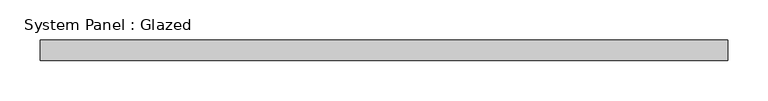
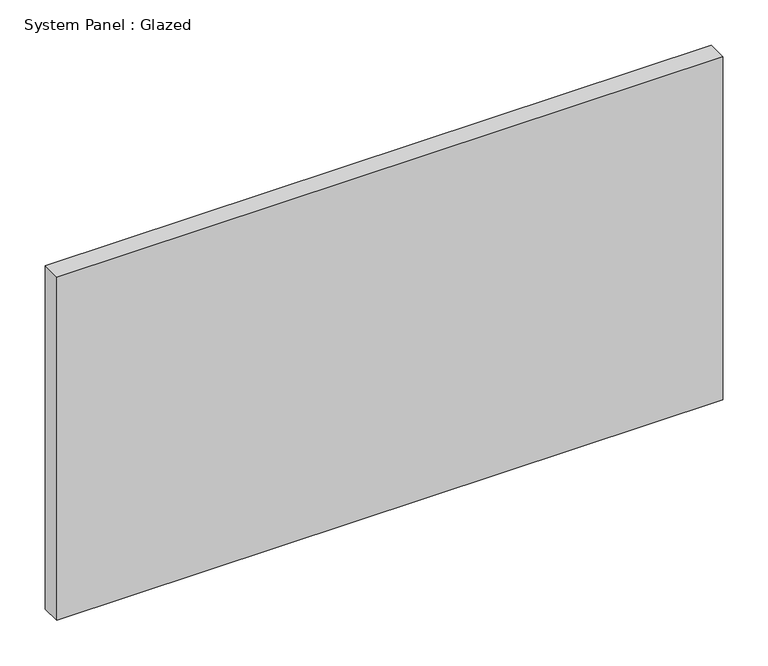
"""IFC4 building model written with IfcOpenShell, lengths in millimetres: plate geometry, System Panel : Glazed."""

from ifc_helpers import new_model, si_unit, origin, origin_with_axes, place, context, project, spatial, polyline, outline, extrude, source, transform, mapped, element, save


def system_panel_glazed_54c1aa6d(model_context):
    return source(origin(), model_context, "Body", "SweptSolid", [
        extrude(outline(polyline([(425.45, 19.05), (-425.45, 19.05), (-425.45, 44.45), (425.45, 44.45), (425.45, 19.05)])), origin_with_axes(), (0.0, 0.0, 1.0), 463.55),
    ])


if __name__ == "__main__":
    model = new_model("IFC4")
    model_context = context("Model", 3, world=origin())
    ifc_project = project(units=[si_unit("LENGTHUNIT", "METRE", prefix="MILLI")], contexts=[model_context])
    site = spatial("IfcSite", under=ifc_project)
    building = spatial("IfcBuilding", under=site)
    placement = place(None, origin())
    system_panel_glazed_shape = system_panel_glazed_54c1aa6d(model_context)
    element("IfcPlate", 1, ObjectType="System Panel : Glazed", at=placement, inside=building, context=model_context, shape_type="MappedRepresentation", body=[
        mapped(system_panel_glazed_shape, transform((0.0, 0.0, 0.0), x_axis=(1.0, 0.0, 0.0), y_axis=(0.0, 1.0, 0.0), z_axis=(0.0, 0.0, 1.0))),
    ])
    save(model, "model.ifc")
